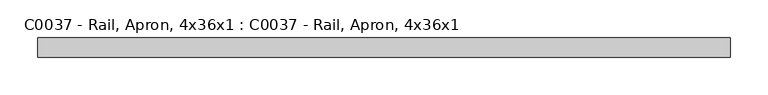
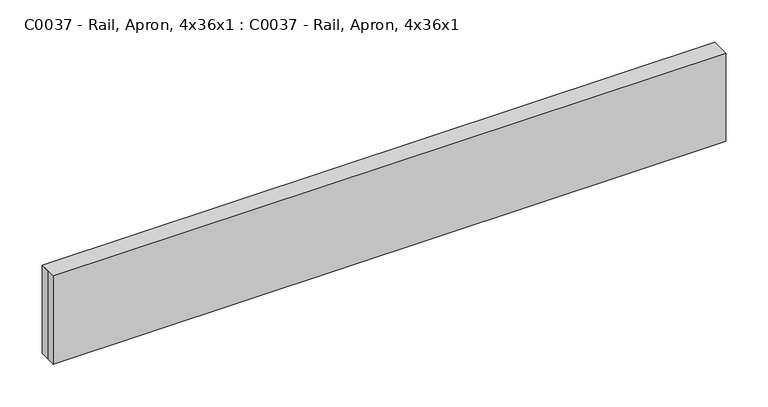
"""IFC4 building model written with IfcOpenShell, lengths in millimetres: proxy geometry, C0037 - Rail, Apron, 4x36x1 : C0037 - Rail, Apron, 4x36x1."""

import ifcopenshell
import ifcopenshell.guid

model = None  # the IFC model being written
_history = None  # IfcOwnerHistory: only IFC2X3 demands one
_inside = {}  # id of a spatial element -> (the spatial element, [elements in it])
_under = {}  # id of a project, library or spatial element -> (it, [spatial elements below it])
_declared = {}  # id of a project -> (the project, [libraries it declares])
_typed = {}  # id of a type object -> (the type object, [elements of that type])
_made_of = {}  # id of a material, layer set ... -> (it, [elements and type objects made of it])


def new_model(schema):
    """Start an empty IFC model of exactly this schema.

    Asked for "IFC4X3", IfcOpenShell would pick the latest addendum, in which some entities
    have other attributes; the version numbers below select the first issue.
    IFC2X3 requires an IfcOwnerHistory on every rooted entity: one is made here for all.
    """
    global model, _history
    if schema == "IFC4X3":
        model = ifcopenshell.file(schema_version=(4, 3, 0, 0))
    else:
        model = ifcopenshell.file(schema=schema)
    _inside.clear()
    _under.clear()
    _declared.clear()
    _typed.clear()
    _made_of.clear()
    _history = None
    if model.schema == "IFC2X3":
        org = make("IfcOrganization", Name="unknown")
        user = make(
            "IfcPersonAndOrganization",
            ThePerson=make("IfcPerson", FamilyName="unknown"),
            TheOrganization=org,
        )
        app = make(
            "IfcApplication",
            ApplicationDeveloper=org,
            Version="unknown",
            ApplicationFullName="unknown",
            ApplicationIdentifier="unknown",
        )
        _history = make(
            "IfcOwnerHistory",
            OwningUser=user,
            OwningApplication=app,
            ChangeAction="ADDED",
            CreationDate=0,
        )
    return model


def make(cls, **values):
    """One entity of the class cls with the attributes given. An attribute that is None is left unset."""
    return model.create_entity(
        cls, **{name: value for name, value in values.items() if value is not None}
    )


def rooted(cls, **values):
    """An entity with a GlobalId (a new one), such as an element, a storey or a relation."""
    return make(cls, GlobalId=ifcopenshell.guid.new(), OwnerHistory=_history, **values)


def si_unit(unit_type, name, prefix=None):
    """IfcSIUnit, for example si_unit("LENGTHUNIT", "METRE", prefix="MILLI")."""
    return make("IfcSIUnit", UnitType=unit_type, Prefix=prefix, Name=name)


def assignment(units):
    """IfcUnitAssignment: the units of a project."""
    return None if units is None else make("IfcUnitAssignment", Units=units)


def point(xyz):
    """IfcCartesianPoint."""
    return None if xyz is None else make("IfcCartesianPoint", Coordinates=xyz)


def direction(xyz):
    """IfcDirection."""
    return None if xyz is None else make("IfcDirection", DirectionRatios=xyz)


def frame(location, z_axis=None, x_axis=None):
    """IfcAxis2Placement3D, a coordinate frame: its origin and axes. An axis left out is left unset."""
    return make(
        "IfcAxis2Placement3D",
        Location=point(location),
        Axis=direction(z_axis),
        RefDirection=direction(x_axis),
    )


def origin():
    """The frame at (0, 0, 0) with its axes left unset."""
    return frame((0.0, 0.0, 0.0))


def origin_with_axes():
    """The frame at (0, 0, 0) with the z axis (0, 0, 1) and the x axis (1, 0, 0) written out."""
    return frame((0.0, 0.0, 0.0), z_axis=(0.0, 0.0, 1.0), x_axis=(1.0, 0.0, 0.0))


def place(relative_to, where):
    """IfcLocalPlacement: puts the frame where relative to a parent placement (None: the world)."""
    return make(
        "IfcLocalPlacement", PlacementRelTo=relative_to, RelativePlacement=where
    )


def context(
    kind, dimensions, precision=None, world=None, true_north=None, identifier=None
):
    """IfcGeometricRepresentationContext, for example the 3D "Model" context."""
    return make(
        "IfcGeometricRepresentationContext",
        ContextIdentifier=identifier,
        ContextType=kind,
        CoordinateSpaceDimension=dimensions,
        Precision=precision,
        WorldCoordinateSystem=world,
        TrueNorth=true_north,
    )


def project(units=None, contexts=None):
    """IfcProject with its units and contexts."""
    return rooted(
        "IfcProject",
        Name="project",
        RepresentationContexts=contexts,
        UnitsInContext=assignment(units),
    )


def spatial(cls, under=None, at=None, **own):
    """A site, building, storey or space (cls), placed at a placement, below another one or the project."""
    s = rooted(cls, ObjectPlacement=at, **own)
    if under is not None:
        _under.setdefault(under.id(), (under, []))[1].append(s)
    return s


def polyline(points):
    """IfcPolyline through the points."""
    return make("IfcPolyline", Points=[point(p) for p in points])


def outline(outer, holes=None, kind="AREA"):
    """IfcArbitraryClosedProfileDef: a profile drawn as a closed curve; with holes, ...WithVoids."""
    if holes is None:
        return make("IfcArbitraryClosedProfileDef", ProfileType=kind, OuterCurve=outer)
    return make(
        "IfcArbitraryProfileDefWithVoids",
        ProfileType=kind,
        OuterCurve=outer,
        InnerCurves=holes,
    )


def extrude(swept, where, along, depth):
    """IfcExtrudedAreaSolid: the profile swept, set in the frame where, extruded along a direction by depth."""
    return make(
        "IfcExtrudedAreaSolid",
        SweptArea=swept,
        Position=where,
        ExtrudedDirection=direction(along),
        Depth=depth,
    )


def shape(context_of_items, identifier, shape_type, items):
    """IfcShapeRepresentation: the items that make up one representation, for example the "Body"."""
    return make(
        "IfcShapeRepresentation",
        ContextOfItems=context_of_items,
        RepresentationIdentifier=identifier,
        RepresentationType=shape_type,
        Items=items,
    )


def source(mapping_origin, context_of_items, identifier, shape_type, items):
    """IfcRepresentationMap: a shape defined once, which mapped items show again and again."""
    return make(
        "IfcRepresentationMap",
        MappingOrigin=mapping_origin,
        MappedRepresentation=shape(context_of_items, identifier, shape_type, items),
    )


def transform(
    local_origin,
    x_axis=None,
    y_axis=None,
    z_axis=None,
    scale=None,
    scale2=None,
    scale3=None,
    uniform=True,
):
    """IfcCartesianTransformationOperator3D, or its non-uniform kind. x_axis, y_axis, z_axis: its Axis1, 2, 3."""
    if uniform:
        return make(
            "IfcCartesianTransformationOperator3D",
            Axis1=direction(x_axis),
            Axis2=direction(y_axis),
            LocalOrigin=point(local_origin),
            Scale=scale,
            Axis3=direction(z_axis),
        )
    return make(
        "IfcCartesianTransformationOperator3DnonUniform",
        Axis1=direction(x_axis),
        Axis2=direction(y_axis),
        LocalOrigin=point(local_origin),
        Scale=scale,
        Axis3=direction(z_axis),
        Scale2=scale2,
        Scale3=scale3,
    )


def mapped(mapping_source, mapping_target):
    """IfcMappedItem: shows the shape of a source again, moved by a transform."""
    return make(
        "IfcMappedItem", MappingSource=mapping_source, MappingTarget=mapping_target
    )


def made_of(thing, what):
    """Note that an element or type object is made of a material, layer set ...; save() writes the relation."""
    if what is not None:
        _made_of.setdefault(what.id(), (what, []))[1].append(thing)
    return thing


def element(
    cls,
    number,
    at=None,
    inside=None,
    cuts=None,
    type_object=None,
    material=None,
    context=None,
    identifier="Body",
    shape_type=None,
    held_by="IfcProductDefinitionShape",
    body=None,
    shapes=None,
    **own,
):
    """One element of the class cls, such as IfcWall. Its Tag is "e" and its number.

    at: its placement. inside: the storey or other place that contains it. cuts: it is an
    opening in that element (IfcRelVoidsElement). A single representation is given by context,
    identifier, shape_type and body (its items); several are given by shapes. held_by: the class
    of the entity that holds the representations. save() writes the other relations.
    """
    e = rooted(cls, Tag="e%d" % number, ObjectPlacement=at, **own)
    if body is not None:
        shapes = [shape(context, identifier, shape_type, body)]
    if shapes is not None:
        e.Representation = make(held_by, Representations=shapes)
    if inside is not None:
        _inside.setdefault(inside.id(), (inside, []))[1].append(e)
    if cuts is not None:
        rooted(
            "IfcRelVoidsElement", RelatingBuildingElement=cuts, RelatedOpeningElement=e
        )
    if type_object is not None:
        _typed.setdefault(type_object.id(), (type_object, []))[1].append(e)
    return made_of(e, material)


def aggregate(whole, parts):
    """IfcRelAggregates: a whole, such as a stair, and the parts it consists of."""
    return rooted("IfcRelAggregates", RelatingObject=whole, RelatedObjects=parts)


def save(model, path):
    """Write the relations noted so far, then the file.

    IfcRelAggregates (storeys below a building ...), IfcRelContainedInSpatialStructure (elements
    in a storey), IfcRelDefinesByType, IfcRelAssociatesMaterial and IfcRelDeclares: one each for
    every whole, place, type object, material and project.
    """
    for whole, parts in _under.values():
        aggregate(whole, parts)
    for where, things in _inside.values():
        rooted(
            "IfcRelContainedInSpatialStructure",
            RelatedElements=things,
            RelatingStructure=where,
        )
    for kind, things in _typed.values():
        rooted("IfcRelDefinesByType", RelatedObjects=things, RelatingType=kind)
    for what, things in _made_of.values():
        rooted("IfcRelAssociatesMaterial", RelatedObjects=things, RelatingMaterial=what)
    for by, libraries in _declared.values():
        rooted("IfcRelDeclares", RelatingContext=by, RelatedDefinitions=libraries)
    model.write(path)


def c0037_rail_apron_4x36x1_c0037_rail_apron_4x36x1_ed619a96(model_context):
    return source(origin(), model_context, "Body", "SweptSolid", [
        extrude(outline(polyline([(-457.2, 12.7), (457.2, 12.7), (457.2, -12.7), (-457.2, -12.7), (-457.2, 0.0), (-457.2, 12.7)])), origin_with_axes(), (0.0, 0.0, 1.0), 127.0),
        extrude(outline(polyline([(457.2, -12.7), (-457.2, -12.7), (-457.2, 12.7), (457.2, 12.7), (457.2, -12.7)])), origin_with_axes(), (0.0, 0.0, 1.0), 127.0),
    ])


if __name__ == "__main__":
    model = new_model("IFC4")
    model_context = context("Model", 3, world=origin())
    ifc_project = project(units=[si_unit("LENGTHUNIT", "METRE", prefix="MILLI")], contexts=[model_context])
    site = spatial("IfcSite", under=ifc_project)
    building = spatial("IfcBuilding", under=site)
    placement = place(None, origin())
    c0037_rail_apron_4x36x1_c0037_rail_apron_4x36x1_shape = c0037_rail_apron_4x36x1_c0037_rail_apron_4x36x1_ed619a96(model_context)
    element("IfcBuildingElementProxy", 1, Name="C0037 - Rail, Apron, 4x36x1 : C0037 - Rail, Apron, 4x36x1", ObjectType="C0037 - Rail, Apron, 4x36x1 : C0037 - Rail, Apron, 4x36x1", at=placement, inside=building, context=model_context, shape_type="MappedRepresentation", body=[
        mapped(c0037_rail_apron_4x36x1_c0037_rail_apron_4x36x1_shape, transform((0.0, 0.0, 0.0), x_axis=(1.0, 0.0, 0.0), y_axis=(0.0, 1.0, 0.0), z_axis=(0.0, 0.0, 1.0))),
    ])
    save(model, "model.ifc")
